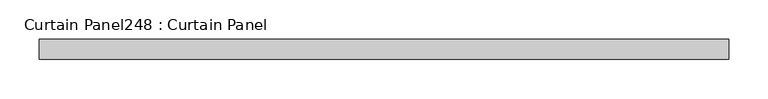
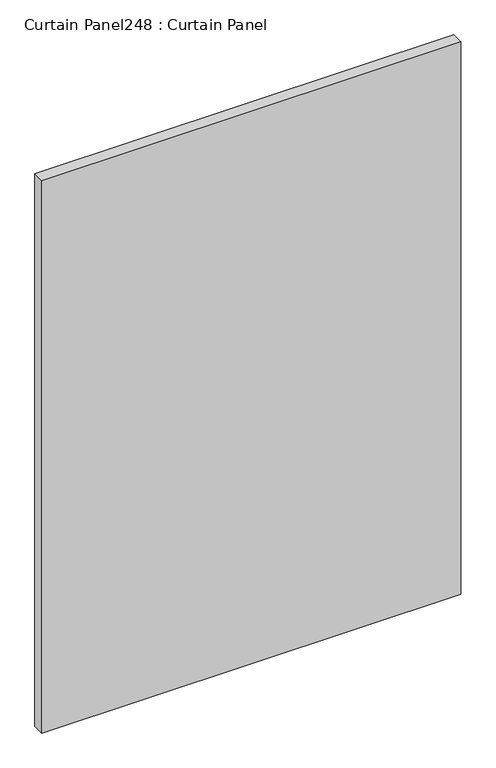
"""IFC4 building model written with IfcOpenShell, lengths in millimetres: plate geometry, Curtain Panel248 : Curtain Panel."""

from ifc_helpers import new_model, si_unit, origin, origin_with_axes, place, context, project, spatial, polyline, outline, extrude, source, transform, mapped, element, save


def curtain_panel248_curtain_panel_0955c426(model_context):
    return source(origin(), model_context, "Body", "SweptSolid", [
        extrude(outline(polyline([(-62082.1637795, 1867.1760947), (-62956.6530437, 1867.1760947), (-62956.6530437, 1892.5760947), (-62082.1637795, 1892.5760947), (-62082.1637795, 1867.1760947)])), origin_with_axes(), (0.0, 0.0, 1.0), 1219.2),
    ])


if __name__ == "__main__":
    model = new_model("IFC4")
    model_context = context("Model", 3, world=origin())
    ifc_project = project(units=[si_unit("LENGTHUNIT", "METRE", prefix="MILLI")], contexts=[model_context])
    site = spatial("IfcSite", under=ifc_project)
    building = spatial("IfcBuilding", under=site)
    placement = place(None, origin())
    curtain_panel248_curtain_panel_shape = curtain_panel248_curtain_panel_0955c426(model_context)
    element("IfcPlate", 1, ObjectType="Curtain Panel248 : Curtain Panel", at=placement, inside=building, context=model_context, shape_type="MappedRepresentation", body=[
        mapped(curtain_panel248_curtain_panel_shape, transform((0.0, 0.0, 0.0), x_axis=(1.0, 0.0, 0.0), y_axis=(0.0, 1.0, 0.0), z_axis=(0.0, 0.0, 1.0))),
    ])
    save(model, "model.ifc")
